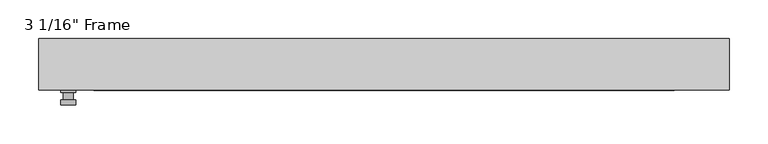
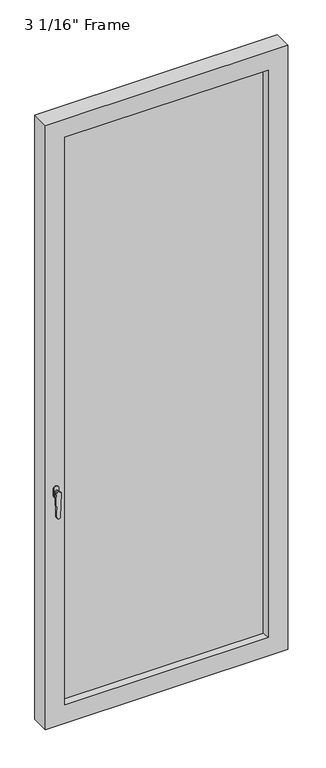
"""IFC4 building model written with IfcOpenShell, lengths in millimetres: plate geometry."""

from ifc_helpers import new_model, si_unit, frame, origin, place, context, project, spatial, polyline, circle_curve, outline, extrude, faceted_brep, source, transform, mapped, element, save
from ifc_brep_helpers import plane_surface, cylinder_surface, advanced_brep


def plate_81f7f299(model_context):
    return source(origin(), model_context, "Body", "SolidModel", [
        advanced_brep(
        [(-398.4625, -33.3375, 927.1), (-398.4625, -33.3375, 901.7), (-417.5125, -33.3375, 901.7), (-417.5125, -33.3375, 927.1), (-401.6375, -46.0375, 914.4), (-414.3375, -46.0375, 914.4), (-414.3375, -36.5125, 914.4), (-401.6375, -36.5125, 914.4), (-398.4625, -46.0375, 914.4), (-401.6415356, -46.0375, 825.2736467), (-414.3334644, -46.0375, 825.2736467), (-417.5125, -46.0375, 914.4), (-398.4625, -52.3875, 914.4), (-417.5125, -52.3875, 914.4), (-414.3334644, -52.3875, 825.2736467), (-401.6415356, -52.3875, 825.2736467), (-398.4625, -36.5125, 927.1), (-417.5125, -36.5125, 927.1), (-417.5125, -36.5125, 901.7), (-398.4625, -36.5125, 901.7)],
        [
            (0, 1),
            (1, 2, circle_curve(frame((-407.9875, -33.3375, 901.7), z_axis=(0.0, 1.0, 0.0), x_axis=(-1.0, 0.0, 0.0)), 9.525)),
            (2, 3),
            (3, 0, circle_curve(frame((-407.9875, -33.3375, 927.1), z_axis=(0.0, 1.0, 0.0), x_axis=(-1.0, 0.0, 0.0)), 9.525)),
            (4, 5, circle_curve(frame((-407.9875, -46.0375, 914.4), z_axis=(0.0, 1.0, 0.0), x_axis=(-1.0, 0.0, 0.0)), 6.35)),
            (5, 6),
            (6, 7, circle_curve(frame((-407.9875, -36.5125, 914.4), z_axis=(0.0, -1.0, 0.0), x_axis=(-1.0, 0.0, 0.0)), 6.35)),
            (7, 4),
            (5, 4, circle_curve(frame((-407.9875, -46.0375, 914.4), z_axis=(0.0, 1.0, 0.0), x_axis=(-1.0, 0.0, 0.0)), 6.35)),
            (7, 6, circle_curve(frame((-407.9875, -36.5125, 914.4), z_axis=(0.0, -1.0, 0.0), x_axis=(-1.0, 0.0, 0.0)), 6.35)),
            (8, 9),
            (9, 10, circle_curve(frame((-407.9875, -46.0375, 825.5), z_axis=(0.0, 1.0, 0.0), x_axis=(-1.0, 0.0, 0.0)), 6.35)),
            (10, 11),
            (11, 8, circle_curve(frame((-407.9875, -46.0375, 914.4), z_axis=(0.0, 1.0, 0.0), x_axis=(-1.0, 0.0, 0.0)), 9.525)),
            (12, 13, circle_curve(frame((-407.9875, -52.3875, 914.4), z_axis=(0.0, -1.0, 0.0), x_axis=(-1.0, 0.0, 0.0)), 9.525)),
            (13, 14),
            (14, 15, circle_curve(frame((-407.9875, -52.3875, 825.5), z_axis=(0.0, -1.0, 0.0), x_axis=(-1.0, 0.0, 0.0)), 6.35)),
            (15, 12),
            (8, 12),
            (15, 9),
            (14, 10),
            (13, 11),
            (16, 17, circle_curve(frame((-407.9875, -36.5125, 927.1), z_axis=(0.0, -1.0, 0.0), x_axis=(-1.0, 0.0, 0.0)), 9.525)),
            (17, 18),
            (18, 19, circle_curve(frame((-407.9875, -36.5125, 901.7), z_axis=(0.0, -1.0, 0.0), x_axis=(-1.0, 0.0, 0.0)), 9.525)),
            (19, 16),
            (0, 16),
            (19, 1),
            (18, 2),
            (17, 3),
        ],
        [
            plane_surface(frame((-414.3375, -33.3375, 914.4), z_axis=(0.0, 1.0, 0.0), x_axis=(0.0, 0.0, 1.0))),
            cylinder_surface(frame((-407.9875, -46.0375, 914.4), z_axis=(0.0, 1.0, 0.0), x_axis=(-1.0, 0.0, 0.0)), 6.35),
            plane_surface(frame((-398.4625, -46.0375, 914.4), z_axis=(0.0, 1.0000000000000002, 0.0), x_axis=(-0.03564619348186888, 0.0, -0.9993644724975235))),
            plane_surface(frame((-398.4625, -52.3875, 914.4), z_axis=(0.0, -1.0000000000000002, 0.0), x_axis=(0.03564619348186888, 0.0, 0.9993644724975235))),
            plane_surface(frame((-398.4625, -46.0375, 914.4), z_axis=(0.9993644724975235, 0.0, -0.03564619348186888), x_axis=(0.0, -1.0, 0.0))),
            cylinder_surface(frame((-407.9875, -52.3875, 825.5), z_axis=(0.0, 1.0, 0.0), x_axis=(-1.0, 0.0, 0.0)), 6.35),
            plane_surface(frame((-414.3334644, -46.0375, 825.2736467), z_axis=(-0.9993644724975228, 0.0, -0.03564619348188612), x_axis=(0.0, -1.0, 0.0))),
            cylinder_surface(frame((-407.9875, -52.3875, 914.4), z_axis=(0.0, 1.0, 0.0), x_axis=(-1.0, 0.0, 0.0)), 9.525),
            plane_surface(frame((-398.4625, -36.5125, 901.7), z_axis=(0.0, -1.0, 0.0), x_axis=(0.0, 0.0, 1.0))),
            plane_surface(frame((-398.4625, -33.3375, 927.1), z_axis=(1.0, 0.0, 0.0), x_axis=(0.0, -1.0, 0.0))),
            cylinder_surface(frame((-407.9875, -36.5125, 901.7), z_axis=(0.0, 1.0, 0.0), x_axis=(-1.0, 0.0, 0.0)), 9.525),
            plane_surface(frame((-417.5125, -33.3375, 901.7), z_axis=(-1.0, 0.0, 0.0), x_axis=(0.0, -1.0, 0.0))),
            cylinder_surface(frame((-407.9875, -36.5125, 927.1), z_axis=(0.0, 1.0, 0.0), x_axis=(-1.0, 0.0, 0.0)), 9.525),
        ],
        [
            (0, [[1, 2, 3, 4]]),
            (1, [[5, 6, 7, 8]]),
            (1, [[9, -8, 10, -6]]),
            (2, [[11, 12, 13, 14], [-5, -9]]),
            (3, [[15, 16, 17, 18]]),
            (4, [[-11, 19, -18, 20]]),
            (5, [[-12, -20, -17, 21]]),
            (6, [[-13, -21, -16, 22]]),
            (7, [[-14, -22, -15, -19]]),
            (8, [[23, 24, 25, 26], [-7, -10]]),
            (9, [[-1, 27, -26, 28]]),
            (10, [[-2, -28, -25, 29]]),
            (11, [[-3, -29, -24, 30]]),
            (12, [[-4, -30, -23, -27]]),
        ],
    ),
        faceted_brep([(-446.0875, -33.3375, 0.0), (-446.0875, 33.3375, 0.0), (446.0875, 33.3375, 0.0), (446.0875, -33.3375, 0.0), (446.0875, -33.3375, 2352.675), (-446.0875, -33.3375, 2352.675), (-374.65, -33.3375, 2281.2375), (374.65, -33.3375, 2281.2375), (374.65, -33.3375, 71.4375), (-374.65, -33.3375, 71.4375), (-446.0875, 33.3375, 2352.675), (446.0875, 33.3375, 2352.675), (-374.65, 33.3375, 2281.2375), (-374.65, 33.3375, 71.4375), (374.65, 33.3375, 71.4375), (374.65, 33.3375, 2281.2375), (-368.3, 11.90625, 2274.8875), (-368.3, 11.90625, 77.7875), (381.0, 11.90625, 2287.5875), (-381.0, 11.90625, 2287.5875), (-381.0, 11.90625, 65.0875), (381.0, 11.90625, 65.0875), (368.3, 11.90625, 2274.8875), (368.3, 11.90625, 77.7875), (-381.0, -11.90625, 2287.5875), (-381.0, -11.90625, 65.0875), (381.0, -11.90625, 2287.5875), (381.0, -11.90625, 65.0875), (-368.3, -11.90625, 2274.8875), (-368.3, -11.90625, 77.7875), (368.3, -11.90625, 77.7875), (368.3, -11.90625, 2274.8875)], [[[0, 1, 2, 3]], [[0, 3, 4, 5], [6, 7, 8, 9]], [[1, 0, 5, 10]], [[2, 1, 10, 11], [12, 13, 14, 15]], [[12, 16, 17, 13]], [[18, 19, 20, 21], [16, 22, 23, 17]], [[20, 19, 24, 25]], [[24, 26, 27, 25], [28, 29, 30, 31]], [[28, 6, 9, 29]], [[5, 4, 11, 10]], [[12, 15, 22, 16]], [[19, 18, 26, 24]], [[7, 6, 28, 31]], [[4, 3, 2, 11]], [[22, 15, 14, 23]], [[27, 26, 18, 21]], [[7, 31, 30, 8]], [[9, 8, 30, 29]], [[21, 20, 25, 27]], [[17, 23, 14, 13]]]),
        extrude(outline(polyline([(381.0, -11.90625), (-381.0, -11.90625), (-381.0, 11.90625), (381.0, 11.90625), (381.0, -11.90625)])), frame((0.0, 0.0, 65.0875), z_axis=(0.0, 0.0, 1.0), x_axis=(1.0, 0.0, 0.0)), (0.0, 0.0, 1.0), 2222.5),
    ])


if __name__ == "__main__":
    model = new_model("IFC4")
    model_context = context("Model", 3, world=origin())
    ifc_project = project(units=[si_unit("LENGTHUNIT", "METRE", prefix="MILLI")], contexts=[model_context])
    site = spatial("IfcSite", under=ifc_project)
    building = spatial("IfcBuilding", under=site)
    placement = place(None, origin())
    plate_shape = plate_81f7f299(model_context)
    element("IfcPlate", 1, ObjectType="3 1/16\" Frame", at=placement, inside=building, context=model_context, shape_type="MappedRepresentation", body=[
        mapped(plate_shape, transform((0.0, 0.0, 0.0), x_axis=(1.0, 0.0, 0.0), y_axis=(0.0, 1.0, 0.0), z_axis=(0.0, 0.0, 1.0))),
    ])
    save(model, "model.ifc")
